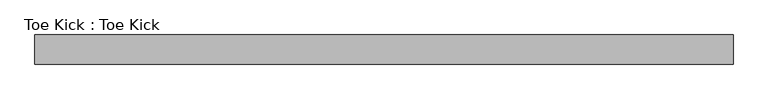
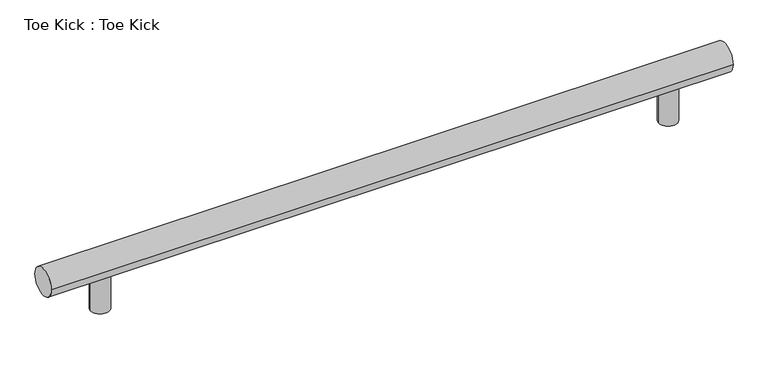
"""IFC4 building model written with IfcOpenShell, lengths in millimetres: proxy geometry, Toe Kick : Toe Kick."""

from ifc_helpers import new_model, si_unit, point, frame, frame_2d, origin, origin_with_axes, place, context, project, spatial, circle_curve, trimmed, segment, composite_curve, outline, extrude, source, transform, mapped, element, save


def toe_kick_toe_kick_c6414588(model_context):
    return source(origin(), model_context, "Body", "SweptSolid", [
        extrude(outline(composite_curve([segment(trimmed(circle_curve(frame_2d((-762.0, 152.4)), 25.4), [point((-787.4, 152.4))], [point((-736.6, 152.4))], False, "CARTESIAN"), True, "CONTINUOUS"), segment(trimmed(circle_curve(frame_2d((-762.0, 152.4)), 25.4), [point((-736.6, 152.4))], [point((-787.4, 152.4))], False, "CARTESIAN"), True, "CONTINUOUS")], self_intersect=False)), origin_with_axes(), (0.0, 0.0, 1.0), 101.6),
        extrude(outline(composite_curve([segment(trimmed(circle_curve(frame_2d((762.0, 152.4)), 25.4), [point((736.6, 152.4))], [point((787.4, 152.4))], False, "CARTESIAN"), True, "CONTINUOUS"), segment(trimmed(circle_curve(frame_2d((762.0, 152.4)), 25.4), [point((787.4, 152.4))], [point((736.6, 152.4))], False, "CARTESIAN"), True, "CONTINUOUS")], self_intersect=False)), origin_with_axes(), (0.0, 0.0, 1.0), 101.6),
        extrude(outline(composite_curve([segment(trimmed(circle_curve(frame_2d((152.4, 127.0)), 38.1), [point((190.5, 127.0))], [point((114.3, 127.0))], False, "CARTESIAN"), True, "CONTINUOUS"), segment(trimmed(circle_curve(frame_2d((152.4, 127.0)), 38.1), [point((114.3, 127.0))], [point((190.5, 127.0))], False, "CARTESIAN"), True, "CONTINUOUS")], self_intersect=False)), frame((-914.4, 0.0, 0.0), z_axis=(1.0, 0.0, 0.0), x_axis=(0.0, 1.0, 0.0)), (0.0, 0.0, 1.0), 1828.8),
    ])


if __name__ == "__main__":
    model = new_model("IFC4")
    model_context = context("Model", 3, world=origin())
    ifc_project = project(units=[si_unit("LENGTHUNIT", "METRE", prefix="MILLI")], contexts=[model_context])
    site = spatial("IfcSite", under=ifc_project)
    building = spatial("IfcBuilding", under=site)
    placement = place(None, origin())
    toe_kick_toe_kick_shape = toe_kick_toe_kick_c6414588(model_context)
    element("IfcBuildingElementProxy", 1, Name="Toe Kick : Toe Kick", ObjectType="Toe Kick : Toe Kick", at=placement, inside=building, context=model_context, shape_type="MappedRepresentation", body=[
        mapped(toe_kick_toe_kick_shape, transform((0.0, 0.0, 0.0), x_axis=(1.0, 0.0, 0.0), y_axis=(0.0, 1.0, 0.0), z_axis=(0.0, 0.0, 1.0))),
    ])
    save(model, "model.ifc")
